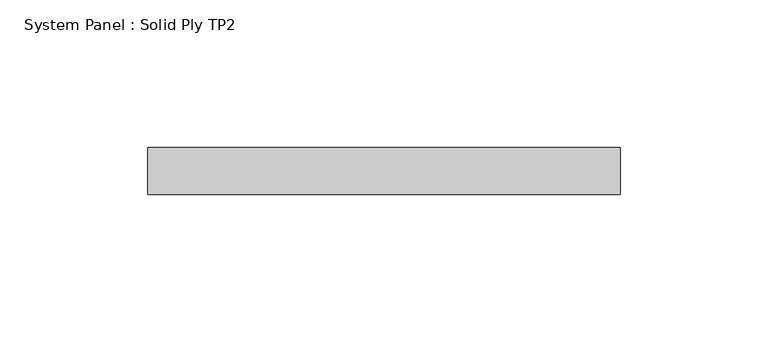
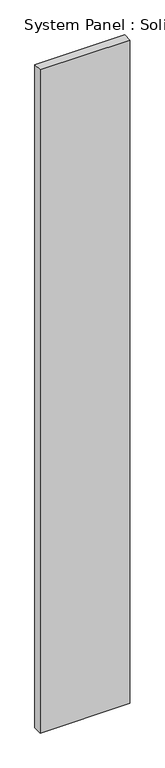
"""IFC4 building model written with IfcOpenShell, lengths in millimetres: plate geometry, System Panel : Solid Ply TP2."""

from ifc_helpers import new_model, si_unit, origin, origin_with_axes, place, context, project, spatial, polyline, outline, extrude, source, transform, mapped, element, save


def system_panel_solid_ply_tp2_c32e639b(model_context):
    return source(origin(), model_context, "Body", "SweptSolid", [
        extrude(outline(polyline([(79.9999998, -23.0), (-79.9999998, -23.0), (-79.9999998, -7.0), (79.9999998, -7.0), (79.9999998, -23.0)])), origin_with_axes(), (0.0, 0.0, 1.0), 1250.0),
    ])


if __name__ == "__main__":
    model = new_model("IFC4")
    model_context = context("Model", 3, world=origin())
    ifc_project = project(units=[si_unit("LENGTHUNIT", "METRE", prefix="MILLI")], contexts=[model_context])
    site = spatial("IfcSite", under=ifc_project)
    building = spatial("IfcBuilding", under=site)
    placement = place(None, origin())
    system_panel_solid_ply_tp2_shape = system_panel_solid_ply_tp2_c32e639b(model_context)
    element("IfcPlate", 1, ObjectType="System Panel : Solid Ply TP2", at=placement, inside=building, context=model_context, shape_type="MappedRepresentation", body=[
        mapped(system_panel_solid_ply_tp2_shape, transform((0.0, 0.0, 0.0), x_axis=(1.0, 0.0, 0.0), y_axis=(0.0, 1.0, 0.0), z_axis=(0.0, 0.0, 1.0))),
    ])
    save(model, "model.ifc")
